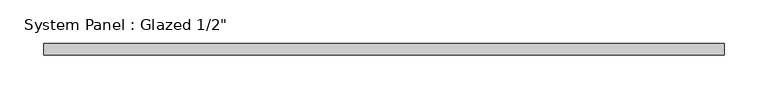
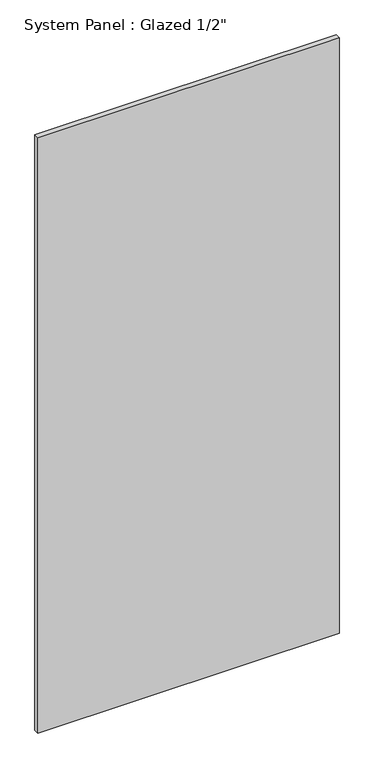
"""IFC4 building model written with IfcOpenShell, lengths in millimetres: plate geometry."""

from ifc_helpers import new_model, si_unit, origin, origin_with_axes, place, context, project, spatial, polyline, outline, extrude, source, transform, mapped, element, save


def plate_acda796d(model_context):
    return source(origin(), model_context, "Body", "SweptSolid", [
        extrude(outline(polyline([(387.35, -6.35), (-387.35, -6.35), (-387.35, 6.35), (387.35, 6.35), (387.35, -6.35)])), origin_with_axes(), (0.0, 0.0, 1.0), 1619.25),
    ])


if __name__ == "__main__":
    model = new_model("IFC4")
    model_context = context("Model", 3, world=origin())
    ifc_project = project(units=[si_unit("LENGTHUNIT", "METRE", prefix="MILLI")], contexts=[model_context])
    site = spatial("IfcSite", under=ifc_project)
    building = spatial("IfcBuilding", under=site)
    placement = place(None, origin())
    plate_shape = plate_acda796d(model_context)
    element("IfcPlate", 1, ObjectType="System Panel : Glazed 1/2\"", at=placement, inside=building, context=model_context, shape_type="MappedRepresentation", body=[
        mapped(plate_shape, transform((0.0, 0.0, 0.0), x_axis=(1.0, 0.0, 0.0), y_axis=(0.0, 1.0, 0.0), z_axis=(0.0, 0.0, 1.0))),
    ])
    save(model, "model.ifc")
